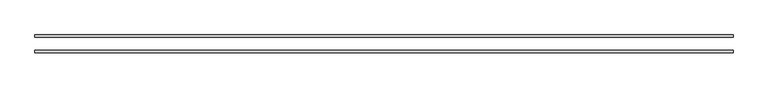
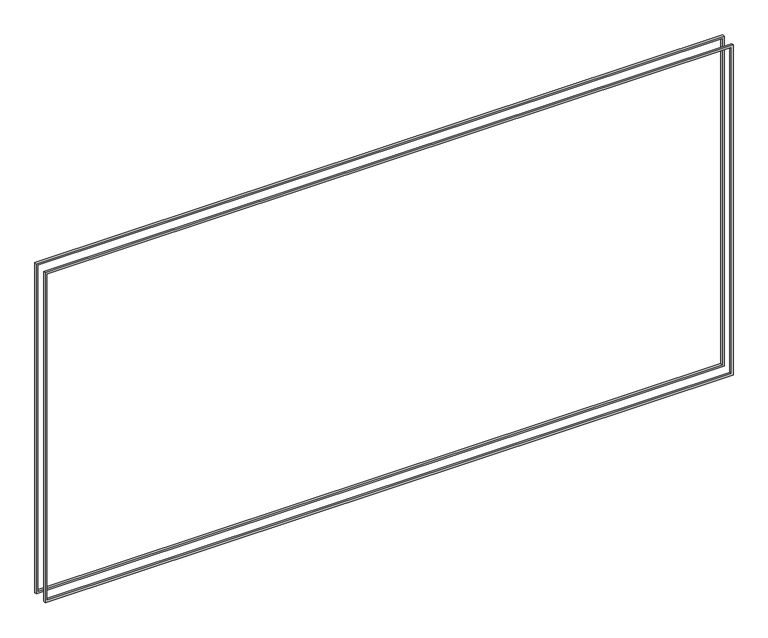
"""IFC4 building model written with IfcOpenShell, lengths in millimetres: proxy geometry."""

from ifc_helpers import new_model, si_unit, frame, origin, place, context, project, spatial, polyline, outline, extrude, source, transform, mapped, element, save


def generic_models_6b6acc54(model_context):
    return source(origin(), model_context, "Body", "SweptSolid", [
        extrude(outline(polyline([(2392.3625, -649.2875), (26.9875, -649.2875), (26.9875, 4011.6125), (2392.3625, 4011.6125), (2392.3625, -649.2875)]), holes=[polyline([(2378.075, 3997.325), (41.275, 3997.325), (41.275, -635.0), (2378.075, -635.0), (2378.075, 3997.325)])]), frame((0.0, -59.53125, 0.0), z_axis=(0.0, 1.0, 0.0), x_axis=(0.0, 0.0, 1.0)), (0.0, 0.0, 1.0), 15.08125),
        extrude(outline(polyline([(26.9875, 4011.6125), (2392.3625, 4011.6125), (2392.3625, -649.2875), (26.9875, -649.2875), (26.9875, 4011.6125)]), holes=[polyline([(41.275, -635.0), (2378.075, -635.0), (2378.075, 3997.325), (41.275, 3997.325), (41.275, -635.0)])]), frame((0.0, 44.45, 0.0), z_axis=(0.0, 1.0, 0.0), x_axis=(0.0, 0.0, 1.0)), (0.0, 0.0, 1.0), 15.08125),
    ])


if __name__ == "__main__":
    model = new_model("IFC4")
    model_context = context("Model", 3, world=origin())
    ifc_project = project(units=[si_unit("LENGTHUNIT", "METRE", prefix="MILLI")], contexts=[model_context])
    site = spatial("IfcSite", under=ifc_project)
    building = spatial("IfcBuilding", under=site)
    placement = place(None, origin())
    generic_models_shape = generic_models_6b6acc54(model_context)
    element("IfcBuildingElementProxy", 1, Name="Generic Models", at=placement, inside=building, context=model_context, shape_type="MappedRepresentation", body=[
        mapped(generic_models_shape, transform((0.0, 0.0, 0.0), x_axis=(1.0, 0.0, 0.0), y_axis=(0.0, 1.0, 0.0), z_axis=(0.0, 0.0, 1.0))),
    ])
    save(model, "model.ifc")
